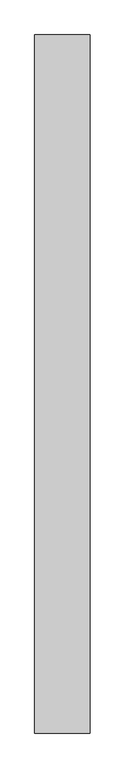
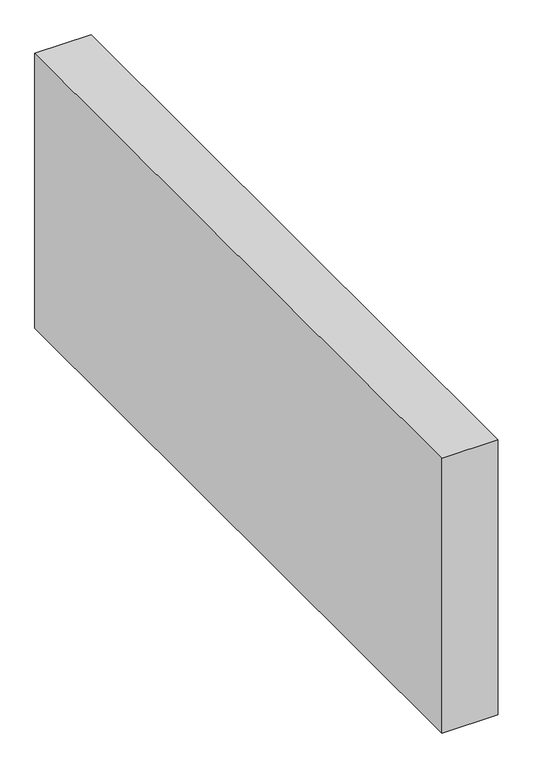
"""IFC4 building model written with IfcOpenShell, lengths in millimetres: proxy geometry."""

from ifc_helpers import new_model, si_unit, origin, origin_with_axes, place, context, project, spatial, polyline, outline, extrude, source, transform, mapped, element, save


def generic_models_005aa47b(model_context):
    return source(origin(), model_context, "Body", "SweptSolid", [
        extrude(outline(polyline([(150.0, 1886.4607796), (150.0, 0.0), (0.0, 0.0), (0.0, 1886.4607796), (150.0, 1886.4607796)])), origin_with_axes(), (0.0, 0.0, 1.0), 776.6553396),
    ])


if __name__ == "__main__":
    model = new_model("IFC4")
    model_context = context("Model", 3, world=origin())
    ifc_project = project(units=[si_unit("LENGTHUNIT", "METRE", prefix="MILLI")], contexts=[model_context])
    site = spatial("IfcSite", under=ifc_project)
    building = spatial("IfcBuilding", under=site)
    placement = place(None, origin())
    generic_models_shape = generic_models_005aa47b(model_context)
    element("IfcBuildingElementProxy", 1, Name="Generic Models", at=placement, inside=building, context=model_context, shape_type="MappedRepresentation", body=[
        mapped(generic_models_shape, transform((0.0, 0.0, 0.0), x_axis=(1.0, 0.0, 0.0), y_axis=(0.0, 1.0, 0.0), z_axis=(0.0, 0.0, 1.0))),
    ])
    save(model, "model.ifc")
